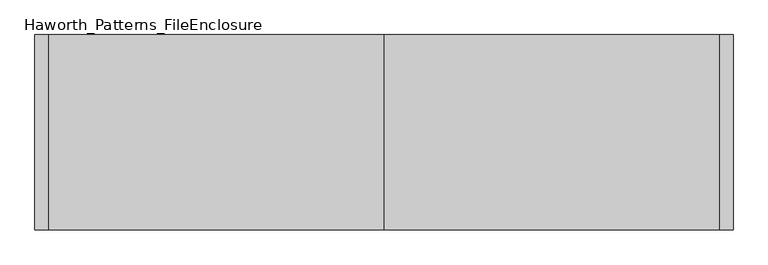
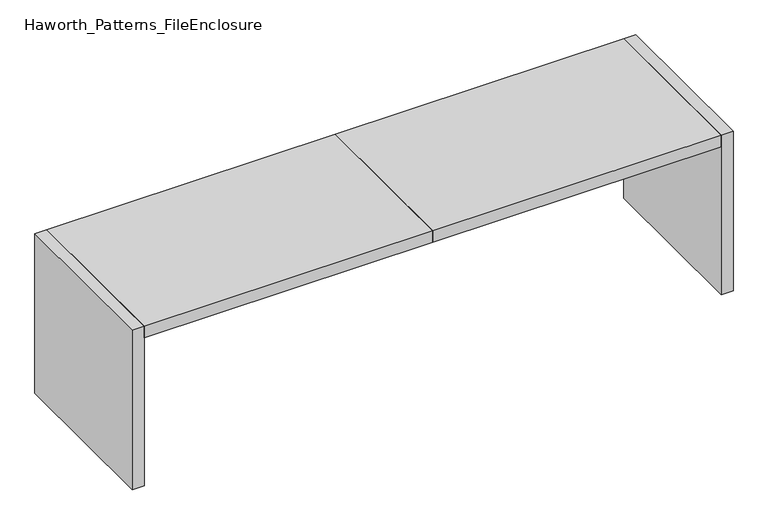
"""IFC4 building model written with IfcOpenShell, lengths in millimetres: furniture geometry, Haworth_Patterns_FileEnclosure."""

from ifc_helpers import new_model, si_unit, frame, origin, origin_with_axes, place, context, project, spatial, polyline, outline, extrude, source, transform, mapped, element, save


def haworth_patterns_fileenclosure_0e782d1b(model_context):
    return source(origin(), model_context, "Body", "SweptSolid", [
        extrude(outline(polyline([(0.0, 0.0), (1828.8, 0.0), (1828.8, -1066.8), (0.0, -1066.8), (0.0, 0.0)])), frame((0.0, 0.0, 990.6), z_axis=(0.0, 0.0, 1.0), x_axis=(1.0, 0.0, 0.0)), (0.0, 0.0, 1.0), 76.2),
        extrude(outline(polyline([(0.0, 0.0), (0.0, -1066.8), (-1828.8, -1066.8), (-1828.8, 0.0), (0.0, 0.0)])), frame((0.0, 0.0, 990.6), z_axis=(0.0, 0.0, 1.0), x_axis=(1.0, 0.0, 0.0)), (0.0, 0.0, 1.0), 76.2),
        extrude(outline(polyline([(1828.8, 0.0), (1905.0, 0.0), (1905.0, -1066.8), (1828.8, -1066.8), (1828.8, 0.0)])), origin_with_axes(), (0.0, 0.0, 1.0), 1066.8),
        extrude(outline(polyline([(-1828.8, 0.0), (-1828.8, -1066.8), (-1905.0, -1066.8), (-1905.0, 0.0), (-1828.8, 0.0)])), origin_with_axes(), (0.0, 0.0, 1.0), 1066.8),
    ])


if __name__ == "__main__":
    model = new_model("IFC4")
    model_context = context("Model", 3, world=origin())
    ifc_project = project(units=[si_unit("LENGTHUNIT", "METRE", prefix="MILLI")], contexts=[model_context])
    site = spatial("IfcSite", under=ifc_project)
    building = spatial("IfcBuilding", under=site)
    placement = place(None, origin())
    haworth_patterns_fileenclosure_shape = haworth_patterns_fileenclosure_0e782d1b(model_context)
    element("IfcFurniture", 1, ObjectType="Haworth_Patterns_FileEnclosure", at=placement, inside=building, context=model_context, shape_type="MappedRepresentation", body=[
        mapped(haworth_patterns_fileenclosure_shape, transform((0.0, 0.0, 0.0), x_axis=(1.0, 0.0, 0.0), y_axis=(0.0, 1.0, 0.0), z_axis=(0.0, 0.0, 1.0))),
    ])
    save(model, "model.ifc")
